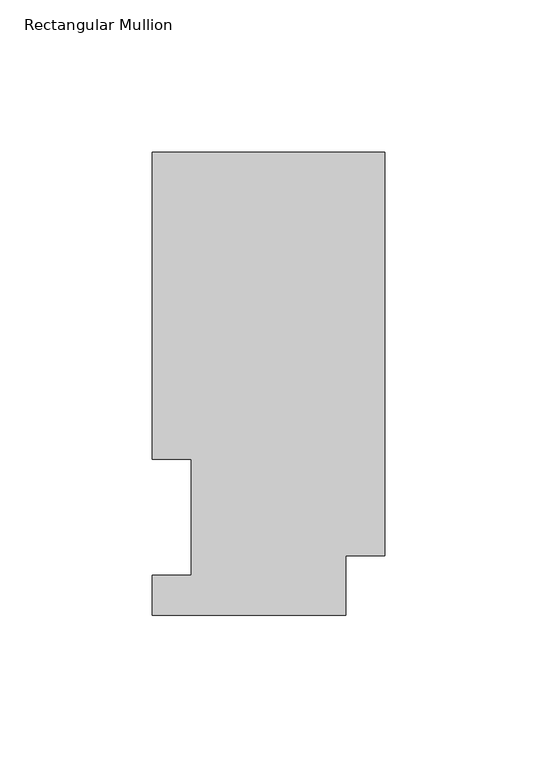
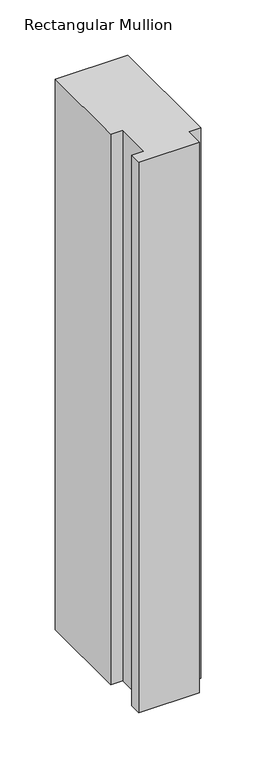
"""IFC4 building model written with IfcOpenShell, lengths in millimetres: member geometry, Rectangular Mullion."""

from ifc_helpers import new_model, si_unit, frame, origin, place, context, project, spatial, polyline, outline, extrude, source, transform, mapped, element, save


def rectangular_mullion_fd9c4d6b(model_context):
    return source(origin(), model_context, "Body", "SweptSolid", [
        extrude(outline(polyline([(0.0, 151.8147517), (0.0, 19.4553517), (-12.7, 19.4553517), (-12.7, -0.0772483), (-76.2, -0.0772483), (-76.2, 13.1053517), (-63.5127, 13.1053517), (-63.5127, 51.2053517), (-76.2, 51.2053517), (-76.2, 151.8147517), (0.0, 151.8147517)])), frame((0.0, 0.0, -609.6), z_axis=(0.0, 0.0, 1.0), x_axis=(1.0, 0.0, 0.0)), (0.0, 0.0, 1.0), 609.6),
    ])


if __name__ == "__main__":
    model = new_model("IFC4")
    model_context = context("Model", 3, world=origin())
    ifc_project = project(units=[si_unit("LENGTHUNIT", "METRE", prefix="MILLI")], contexts=[model_context])
    site = spatial("IfcSite", under=ifc_project)
    building = spatial("IfcBuilding", under=site)
    placement = place(None, origin())
    rectangular_mullion_shape = rectangular_mullion_fd9c4d6b(model_context)
    element("IfcMember", 1, ObjectType="Rectangular Mullion", at=placement, inside=building, context=model_context, shape_type="MappedRepresentation", body=[
        mapped(rectangular_mullion_shape, transform((0.0, 0.0, 0.0), x_axis=(1.0, 0.0, 0.0), y_axis=(0.0, 1.0, 0.0), z_axis=(0.0, 0.0, 1.0))),
    ])
    save(model, "model.ifc")
